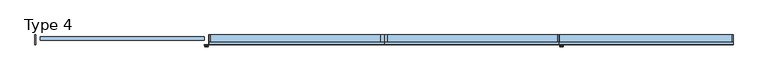
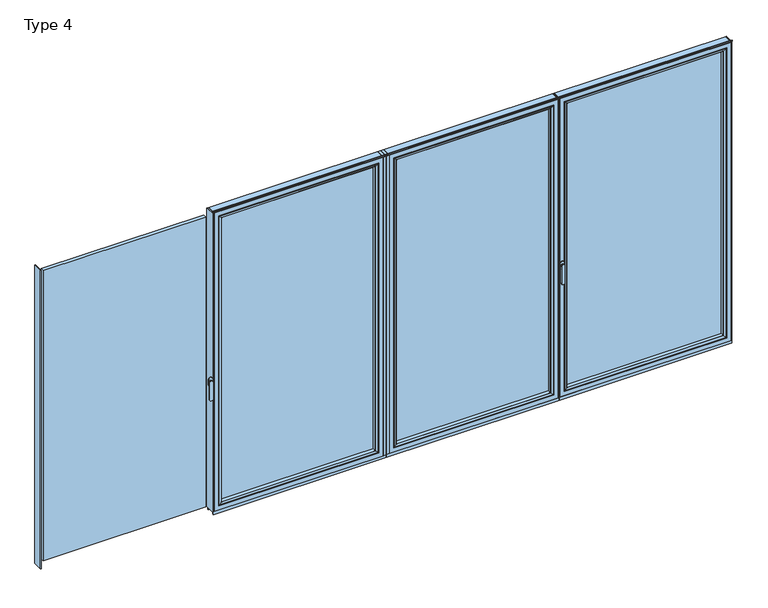
"""IFC4 building model written with IfcOpenShell, lengths in millimetres: window geometry, Type 4."""

from ifc_helpers import new_model, si_unit, point, frame, frame_2d, origin, place, context, project, spatial, polyline, circle_curve, ellipse_curve, trimmed, segment, composite_curve, outline, extrude, source, transform, mapped, element, save
from ifc_brep_helpers import plane_surface, cylinder_surface, extruded_surface, advanced_brep


def type_4_c590a3ca(model_context):
    return source(origin(), model_context, "Body", "SolidModel", [
        extrude(outline(polyline([(0.0, 0.0), (0.0, -70.0), (-22.5, -70.0), (-22.5, 0.0), (0.0, 0.0)])), frame((0.0, 0.0, 37.5), z_axis=(0.0, 0.0, 1.0), x_axis=(1.0, 0.0, 0.0)), (0.0, 0.0, 1.0), 2299.5),
        extrude(outline(polyline([(-1259.4, 0.0), (-1253.4, 0.0), (-1253.4, -70.0), (-1259.4, -70.0), (-1259.4, 0.0)])), frame((0.0, 0.0, 37.5), z_axis=(0.0, 0.0, 1.0), x_axis=(1.0, 0.0, 0.0)), (0.0, 0.0, 1.0), 2299.5),
        extrude(outline(polyline([(-54.5, -13.999939), (-54.5, -37.9928974), (-1221.4, -37.9928974), (-1221.4, -13.999939), (-54.5, -13.999939)])), frame((0.0, 0.0, 69.5), z_axis=(0.0, 0.0, 1.0), x_axis=(1.0, 0.0, 0.0)), (0.0, 0.0, 1.0), 2235.5),
        advanced_brep(
        [(-1199.4004272, -64.5552044, 2283.0004272), (-1199.4004272, -64.5552044, 91.4995728), (-1199.4004272, -37.9928974, 91.4995728), (-1199.4004272, -37.9928974, 2283.0004272), (-1221.4, -37.9928974, 2305.0), (-54.5, -37.9928974, 2305.0), (-54.5, -37.9928974, 69.5), (-1221.4, -37.9928974, 69.5), (-76.4995728, -37.9928974, 2283.0004272), (-76.4995728, -37.9928974, 91.4995728), (-76.4995728, -64.5552044, 91.4995728), (-1200.1099707, -65.8045072, 2283.7099707), (-1200.1099707, -65.8045072, 90.7900293), (-75.7900293, -65.8045072, 90.7900293), (-1215.400061, -70.0, 2299.000061), (-1215.400061, -70.0, 75.499939), (-60.499939, -70.0, 75.499939), (-54.5, -70.0, 2305.0), (-1221.4, -70.0, 2305.0), (-1221.4, -70.0, 69.5), (-54.5, -70.0, 69.5), (-60.499939, -70.0, 2299.000061), (-76.4995728, -64.5552044, 2283.0004272), (-75.7900293, -65.8045072, 2283.7099707)],
        [
            (0, 1),
            (1, 2),
            (2, 3),
            (3, 0),
            (4, 5),
            (5, 6),
            (6, 7),
            (7, 4),
            (8, 3),
            (2, 9),
            (9, 8),
            (1, 10),
            (10, 9),
            (11, 12),
            (12, 1, ellipse_curve(frame((-1200.8550312, -64.5552044, 90.0449688), z_axis=(-0.7071067811865475, 0.0, 0.7071067811865475), x_axis=(0.7071067811865474, 0.0, 0.7071067811865476)), 2.0571207, 1.454604)),
            (0, 11, ellipse_curve(frame((-1200.8550312, -64.5552044, 2284.4550312), z_axis=(-0.7071067811865475, 0.0, -0.7071067811865475), x_axis=(-0.7071067811865474, 0.0, 0.7071067811865476)), 2.0571207, 1.454604)),
            (12, 13),
            (13, 10, ellipse_curve(frame((-75.0449688, -64.5552044, 90.0449688), z_axis=(-0.7071067811865475, 0.0, -0.7071067811865475), x_axis=(-0.7071067811865476, 0.0, 0.7071067811865474)), 2.0571207, 1.454604)),
            (14, 15),
            (15, 12, ellipse_curve(frame((-1215.3361254, -40.2735922, 75.5638746), z_axis=(-0.7071067811865475, 0.0, 0.7071067811865475), x_axis=(0.7071067811865474, 0.0, 0.7071067811865476)), 42.0395863, 29.7264765)),
            (11, 14, ellipse_curve(frame((-1215.3361254, -40.2735922, 2298.9361254), z_axis=(-0.7071067811865475, 0.0, -0.7071067811865475), x_axis=(-0.7071067811865474, 0.0, 0.7071067811865476)), 42.0395863, 29.7264765)),
            (15, 16),
            (16, 13, ellipse_curve(frame((-60.5638746, -40.2735922, 75.5638746), z_axis=(-0.7071067811865475, 0.0, -0.7071067811865475), x_axis=(-0.7071067811865476, 0.0, 0.7071067811865474)), 42.0395863, 29.7264765)),
            (17, 18),
            (18, 19),
            (19, 20),
            (20, 17),
            (14, 21),
            (21, 16),
            (7, 19),
            (18, 4),
            (6, 20),
            (10, 22),
            (22, 8),
            (13, 23),
            (23, 22, ellipse_curve(frame((-75.0449688, -64.5552044, 2284.4550312), z_axis=(0.7071067811865475, 0.0, -0.7071067811865475), x_axis=(-0.7071067811865474, 0.0, -0.7071067811865476)), 2.0571207, 1.454604)),
            (21, 23, ellipse_curve(frame((-60.5638746, -40.2735922, 2298.9361254), z_axis=(0.7071067811865475, 0.0, -0.7071067811865475), x_axis=(-0.7071067811865474, 0.0, -0.7071067811865476)), 42.0395863, 29.7264765)),
            (5, 17),
            (22, 0),
            (23, 11),
        ],
        [
            plane_surface(frame((-1199.4004272, -37.9928974, 2283.0004272), z_axis=(1.0, 0.0, 0.0), x_axis=(0.0, 0.0, -1.0))),
            plane_surface(frame((-54.5, -37.9928974, 69.5), z_axis=(0.0, 1.0, 0.0), x_axis=(0.0, 0.0, 1.0))),
            plane_surface(frame((-1199.4004272, -37.9928974, 91.4995728), z_axis=(0.0, 0.0, 1.0), x_axis=(1.0, 0.0, 0.0))),
            cylinder_surface(frame((-1200.8550312, -64.5552044, 2283.0004272), z_axis=(0.0, 0.0, 1.0), x_axis=(-1.0, 0.0, 0.0)), 1.454604),
            cylinder_surface(frame((-1199.4004272, -64.5552044, 90.0449688), z_axis=(-1.0, 0.0, 0.0), x_axis=(0.0, 0.0, -1.0)), 1.454604),
            cylinder_surface(frame((-1215.3361254, -40.2735922, 2283.0004272), z_axis=(0.0, 0.0, 1.0), x_axis=(-1.0, 0.0, 0.0)), 29.7264765),
            cylinder_surface(frame((-1199.4004272, -40.2735922, 75.5638746), z_axis=(-1.0, 0.0, 0.0), x_axis=(0.0, 0.0, -1.0)), 29.7264765),
            plane_surface(frame((-60.499939, -70.0, 75.499939), z_axis=(0.0, -1.0, 0.0), x_axis=(0.0, 0.0, 1.0))),
            plane_surface(frame((-1221.4, -70.0, 2305.0), z_axis=(-1.0, 0.0, 0.0), x_axis=(0.0, 0.0, -1.0))),
            plane_surface(frame((-1221.4, -70.0, 69.5), z_axis=(0.0, 0.0, -1.0), x_axis=(1.0, 0.0, 0.0))),
            plane_surface(frame((-76.4995728, -37.9928974, 91.4995728), z_axis=(-1.0, 0.0, 0.0), x_axis=(0.0, 0.0, 1.0))),
            cylinder_surface(frame((-75.0449688, -64.5552044, 91.4995728), z_axis=(0.0, 0.0, -1.0), x_axis=(1.0, 0.0, 0.0)), 1.454604),
            cylinder_surface(frame((-60.5638746, -40.2735922, 91.4995728), z_axis=(0.0, 0.0, -1.0), x_axis=(1.0, 0.0, 0.0)), 29.7264765),
            plane_surface(frame((-54.5, -70.0, 69.5), z_axis=(1.0, 0.0, 0.0), x_axis=(0.0, 0.0, 1.0))),
            plane_surface(frame((-76.4995728, -37.9928974, 2283.0004272), z_axis=(0.0, 0.0, -1.0), x_axis=(-1.0, 0.0, 0.0))),
            cylinder_surface(frame((-76.4995728, -64.5552044, 2284.4550312), z_axis=(1.0, 0.0, 0.0), x_axis=(0.0, 0.0, 1.0)), 1.454604),
            cylinder_surface(frame((-76.4995728, -40.2735922, 2298.9361254), z_axis=(1.0, 0.0, 0.0), x_axis=(0.0, 0.0, 1.0)), 29.7264765),
            plane_surface(frame((-54.5, -70.0, 2305.0), z_axis=(0.0, 0.0, 1.0), x_axis=(-1.0, 0.0, 0.0))),
        ],
        [
            (0, [[1, 2, 3, 4]]),
            (1, [[5, 6, 7, 8], [9, -3, 10, 11]]),
            (2, [[12, 13, -10, -2]]),
            (3, [[14, 15, -1, 16]]),
            (4, [[17, 18, -12, -15]]),
            (5, [[19, 20, -14, 21]]),
            (6, [[22, 23, -17, -20]]),
            (7, [[24, 25, 26, 27], [28, 29, -22, -19]]),
            (8, [[-8, 30, -25, 31]]),
            (9, [[-7, 32, -26, -30]]),
            (10, [[33, 34, -11, -13]]),
            (11, [[35, 36, -33, -18]]),
            (12, [[-29, 37, -35, -23]]),
            (13, [[-6, 38, -27, -32]]),
            (14, [[39, -4, -9, -34]]),
            (15, [[40, -16, -39, -36]]),
            (16, [[-28, -21, -40, -37]]),
            (17, [[-5, -31, -24, -38]]),
        ],
    ),
        advanced_brep(
        [(-22.5, -70.0, 2337.0), (-22.5, -70.0, 37.5), (-22.5, 0.0, 37.5), (-22.5, 0.0, 2337.0), (-1253.4, -70.0, 37.5), (-1253.4, 0.0, 37.5), (-1253.4, 0.0, 2337.0), (-1203.9008099, 0.0, 86.9991901), (-71.9991901, 0.0, 86.9991901), (-71.9991901, 0.0, 2287.5008099), (-1203.9008099, 0.0, 2287.5008099), (-1253.4, -70.0, 2337.0), (-54.5, -70.0, 69.5), (-1221.4, -70.0, 69.5), (-1221.4, -70.0, 2305.0), (-54.5, -70.0, 2305.0), (-54.5, -13.999939, 2305.0), (-54.5, -13.999939, 69.5), (-1221.4, -13.999939, 69.5), (-1221.4, -13.999939, 2305.0), (-76.4995728, -13.999939, 91.4995728), (-1199.4004272, -13.999939, 91.4995728), (-1199.4004272, -13.999939, 2283.0004272), (-76.4995728, -13.999939, 2283.0004272), (-76.4995728, -4.5004435, 2283.0004272), (-76.4995728, -4.5004435, 91.4995728), (-1199.4004272, -4.5004435, 91.4995728), (-1199.4004272, -4.5004435, 2283.0004272)],
        [
            (0, 1),
            (1, 2),
            (2, 3),
            (3, 0),
            (1, 4),
            (4, 5),
            (5, 2),
            (5, 6),
            (6, 3),
            (7, 8),
            (8, 9),
            (9, 10),
            (10, 7),
            (4, 11),
            (11, 6),
            (0, 11),
            (12, 13),
            (13, 14),
            (14, 15),
            (15, 12),
            (16, 17),
            (17, 12),
            (15, 16),
            (17, 18),
            (18, 13),
            (18, 19),
            (19, 14),
            (16, 19),
            (20, 21),
            (21, 22),
            (22, 23),
            (23, 20),
            (24, 25),
            (25, 20),
            (23, 24),
            (25, 26),
            (26, 21),
            (26, 27),
            (27, 22),
            (7, 26, ellipse_curve(frame((-1203.9008099, -4.5004435, 86.9991901), z_axis=(0.7071067811865475, 0.0, -0.7071067811865475), x_axis=(0.7071067811865476, 0.0, 0.7071067811865474)), 6.3645023, 4.5003827)),
            (25, 8, ellipse_curve(frame((-71.9991901, -4.5004435, 86.9991901), z_axis=(-0.7071067811865475, 0.0, -0.7071067811865475), x_axis=(0.7071067811865476, 0.0, -0.7071067811865474)), 6.3645023, 4.5003827)),
            (24, 9, ellipse_curve(frame((-71.9991901, -4.5004435, 2287.5008099), z_axis=(0.7071067811865475, 0.0, -0.7071067811865475), x_axis=(0.7071067811865474, 0.0, 0.7071067811865476)), 6.3645023, 4.5003827)),
            (10, 27, ellipse_curve(frame((-1203.9008099, -4.5004435, 2287.5008099), z_axis=(-0.7071067811865475, 0.0, -0.7071067811865475), x_axis=(0.7071067811865474, 0.0, -0.7071067811865476)), 6.3645023, 4.5003827)),
            (27, 24),
        ],
        [
            plane_surface(frame((-22.5, 0.0, 2337.0), z_axis=(1.0, 0.0, 0.0), x_axis=(0.0, 0.0, -1.0))),
            plane_surface(frame((-22.5, 0.0, 37.5), z_axis=(0.0, 0.0, -1.0), x_axis=(-1.0, 0.0, 0.0))),
            plane_surface(frame((-71.9991901, 0.0, 2287.5008099), z_axis=(0.0, 1.0, 0.0), x_axis=(0.0, 0.0, -1.0))),
            plane_surface(frame((-1253.4, 0.0, 37.5), z_axis=(-1.0, 0.0, 0.0), x_axis=(0.0, 0.0, 1.0))),
            plane_surface(frame((-22.5, -70.0, 2337.0), z_axis=(0.0, -1.0, 0.0), x_axis=(0.0, 0.0, -1.0))),
            plane_surface(frame((-54.5, -70.0, 2305.0), z_axis=(-1.0, 0.0, 0.0), x_axis=(0.0, 0.0, -1.0))),
            plane_surface(frame((-54.5, -70.0, 69.5), z_axis=(0.0, 0.0, 1.0), x_axis=(-1.0, 0.0, 0.0))),
            plane_surface(frame((-1221.4, -70.0, 69.5), z_axis=(1.0, 0.0, 0.0), x_axis=(0.0, 0.0, 1.0))),
            plane_surface(frame((-54.5, -13.999939, 2305.0), z_axis=(0.0, -1.0, 0.0), x_axis=(0.0, 0.0, -1.0))),
            plane_surface(frame((-76.4995728, -13.999939, 2283.0004272), z_axis=(-1.0, 0.0, 0.0), x_axis=(0.0, 0.0, -1.0))),
            plane_surface(frame((-76.4995728, -13.999939, 91.4995728), z_axis=(0.0, 0.0, 1.0), x_axis=(-1.0, 0.0, 0.0))),
            plane_surface(frame((-1199.4004272, -13.999939, 91.4995728), z_axis=(1.0, 0.0, 0.0), x_axis=(0.0, 0.0, 1.0))),
            cylinder_surface(frame((-16.5, -4.5004435, 86.9991901), z_axis=(1.0, 0.0, 0.0), x_axis=(0.0, -1.0, 0.0)), 4.5003827),
            cylinder_surface(frame((-71.9991901, -4.5004435, 2343.0), z_axis=(0.0, 0.0, 1.0), x_axis=(0.0, -1.0, 0.0)), 4.5003827),
            cylinder_surface(frame((-1203.9008099, -4.5004435, 31.5), z_axis=(0.0, 0.0, -1.0), x_axis=(0.0, -1.0, 0.0)), 4.5003827),
            plane_surface(frame((-1253.4, 0.0, 2337.0), z_axis=(0.0, 0.0, 1.0), x_axis=(1.0, 0.0, 0.0))),
            plane_surface(frame((-1221.4, -70.0, 2305.0), z_axis=(0.0, 0.0, -1.0), x_axis=(1.0, 0.0, 0.0))),
            plane_surface(frame((-1199.4004272, -13.999939, 2283.0004272), z_axis=(0.0, 0.0, -1.0), x_axis=(1.0, 0.0, 0.0))),
            cylinder_surface(frame((-1259.4, -4.5004435, 2287.5008099), z_axis=(-1.0, 0.0, 0.0), x_axis=(0.0, -1.0, 0.0)), 4.5003827),
        ],
        [
            (0, [[1, 2, 3, 4]]),
            (1, [[5, 6, 7, -2]]),
            (2, [[-7, 8, 9, -3], [10, 11, 12, 13]]),
            (3, [[14, 15, -8, -6]]),
            (4, [[-5, -1, 16, -14], [17, 18, 19, 20]]),
            (5, [[21, 22, -20, 23]]),
            (6, [[24, 25, -17, -22]]),
            (7, [[26, 27, -18, -25]]),
            (8, [[-24, -21, 28, -26], [29, 30, 31, 32]]),
            (9, [[33, 34, -32, 35]]),
            (10, [[36, 37, -29, -34]]),
            (11, [[38, 39, -30, -37]]),
            (12, [[-10, 40, -36, 41]]),
            (13, [[-11, -41, -33, 42]]),
            (14, [[-13, 43, -38, -40]]),
            (15, [[-16, -4, -9, -15]]),
            (16, [[-28, -23, -19, -27]]),
            (17, [[44, -35, -31, -39]]),
            (18, [[-12, -42, -44, -43]]),
        ],
    ),
        extrude(outline(polyline([(0.0, -7.6000076), (-1259.4, -7.6000076), (-1259.4, 0.0), (0.0, 0.0), (0.0, -7.6000076)])), frame((0.0, 0.0, 15.4995117), z_axis=(0.0, 0.0, 1.0), x_axis=(1.0, 0.0, 0.0)), (0.0, 0.0, 1.0), 22.0004883),
        extrude(outline(polyline([(0.0, -70.0), (-1259.4, -70.0), (-1259.4, -62.2757497), (0.0, -62.2757497), (0.0, -70.0)])), frame((0.0, 0.0, 15.4995117), z_axis=(0.0, 0.0, 1.0), x_axis=(1.0, 0.0, 0.0)), (0.0, 0.0, 1.0), 22.0004883),
        extrude(outline(composite_curve([segment(polyline([(-52.044326, 2339.1400778), (-52.044326, 2337.0), (-70.0, 2337.0), (-71.8735116, 2343.9547971)]), True, "CONTINUOUS"), segment(trimmed(circle_curve(frame_2d((-69.9423544, 2344.4750201)), 2.0), [point((-71.8735116, 2343.9547971))], [point((-71.8738669, 2344.9939222))], False, "CARTESIAN"), True, "CONTINUOUS"), segment(polyline([(-71.8738669, 2344.9939222), (-70.8937897, 2348.6420698), (-70.0, 2348.6420698), (-70.0, 2342.963961), (-68.6363596, 2339.1400778), (-52.044326, 2339.1400778)]), True, "CONTINUOUS")], self_intersect=False)), frame((-1259.4, 0.0, 0.0), z_axis=(1.0, 0.0, 0.0), x_axis=(0.0, 1.0, 0.0)), (0.0, 0.0, 1.0), 1259.4),
        extrude(outline(polyline([(0.0, 0.0), (22.5, 0.0), (22.5, -70.0), (0.0, -70.0), (0.0, 0.0)])), frame((0.0, 0.0, 37.5), z_axis=(0.0, 0.0, 1.0), x_axis=(1.0, 0.0, 0.0)), (0.0, 0.0, 1.0), 2299.5),
        extrude(outline(polyline([(1259.4, 0.0), (1259.4, -70.0), (1253.4, -70.0), (1253.4, 0.0), (1259.4, 0.0)])), frame((0.0, 0.0, 37.5), z_axis=(0.0, 0.0, 1.0), x_axis=(1.0, 0.0, 0.0)), (0.0, 0.0, 1.0), 2299.5),
        extrude(outline(polyline([(54.5, -13.999939), (1221.4, -13.999939), (1221.4, -37.9928974), (54.5, -37.9928974), (54.5, -13.999939)])), frame((0.0, 0.0, 69.5), z_axis=(0.0, 0.0, 1.0), x_axis=(1.0, 0.0, 0.0)), (0.0, 0.0, 1.0), 2235.5),
        advanced_brep(
        [(1199.4004272, -64.5552044, 2283.0004272), (1199.4004272, -37.9928974, 2283.0004272), (1199.4004272, -37.9928974, 91.4995728), (1199.4004272, -64.5552044, 91.4995728), (1221.4, -37.9928974, 2305.0), (1221.4, -37.9928974, 69.5), (54.5, -37.9928974, 69.5), (54.5, -37.9928974, 2305.0), (76.4995728, -37.9928974, 2283.0004272), (76.4995728, -37.9928974, 91.4995728), (76.4995728, -64.5552044, 91.4995728), (1200.1099707, -65.8045072, 2283.7099707), (1200.1099707, -65.8045072, 90.7900293), (75.7900293, -65.8045072, 90.7900293), (1215.400061, -70.0, 2299.000061), (1215.400061, -70.0, 75.499939), (60.499939, -70.0, 75.499939), (54.5, -70.0, 2305.0), (54.5, -70.0, 69.5), (1221.4, -70.0, 69.5), (1221.4, -70.0, 2305.0), (60.499939, -70.0, 2299.000061), (76.4995728, -64.5552044, 2283.0004272), (75.7900293, -65.8045072, 2283.7099707)],
        [
            (0, 1),
            (1, 2),
            (2, 3),
            (3, 0),
            (4, 5),
            (5, 6),
            (6, 7),
            (7, 4),
            (8, 9),
            (9, 2),
            (1, 8),
            (9, 10),
            (10, 3),
            (11, 0, ellipse_curve(frame((1200.8550312, -64.5552044, 2284.4550312), z_axis=(0.7071067811865475, 0.0, -0.7071067811865475), x_axis=(0.7071067811865474, 0.0, 0.7071067811865476)), 2.0571207, 1.454604)),
            (3, 12, ellipse_curve(frame((1200.8550312, -64.5552044, 90.0449688), z_axis=(0.7071067811865475, 0.0, 0.7071067811865475), x_axis=(-0.7071067811865474, 0.0, 0.7071067811865476)), 2.0571207, 1.454604)),
            (12, 11),
            (10, 13, ellipse_curve(frame((75.0449688, -64.5552044, 90.0449688), z_axis=(0.7071067811865475, 0.0, -0.7071067811865475), x_axis=(0.7071067811865476, 0.0, 0.7071067811865474)), 2.0571207, 1.454604)),
            (13, 12),
            (14, 11, ellipse_curve(frame((1215.3361254, -40.2735922, 2298.9361254), z_axis=(0.7071067811865475, 0.0, -0.7071067811865475), x_axis=(0.7071067811865474, 0.0, 0.7071067811865476)), 42.0395863, 29.7264765)),
            (12, 15, ellipse_curve(frame((1215.3361254, -40.2735922, 75.5638746), z_axis=(0.7071067811865475, 0.0, 0.7071067811865475), x_axis=(-0.7071067811865474, 0.0, 0.7071067811865476)), 42.0395863, 29.7264765)),
            (15, 14),
            (13, 16, ellipse_curve(frame((60.5638746, -40.2735922, 75.5638746), z_axis=(0.7071067811865475, 0.0, -0.7071067811865475), x_axis=(0.7071067811865476, 0.0, 0.7071067811865474)), 42.0395863, 29.7264765)),
            (16, 15),
            (17, 18),
            (18, 19),
            (19, 20),
            (20, 17),
            (16, 21),
            (21, 14),
            (4, 20),
            (19, 5),
            (18, 6),
            (8, 22),
            (22, 10),
            (22, 23, ellipse_curve(frame((75.0449688, -64.5552044, 2284.4550312), z_axis=(-0.7071067811865475, 0.0, -0.7071067811865475), x_axis=(0.7071067811865474, 0.0, -0.7071067811865476)), 2.0571207, 1.454604)),
            (23, 13),
            (23, 21, ellipse_curve(frame((60.5638746, -40.2735922, 2298.9361254), z_axis=(-0.7071067811865475, 0.0, -0.7071067811865475), x_axis=(0.7071067811865474, 0.0, -0.7071067811865476)), 42.0395863, 29.7264765)),
            (17, 7),
            (0, 22),
            (11, 23),
        ],
        [
            plane_surface(frame((1199.4004272, -37.9928974, 2283.0004272), z_axis=(-1.0, 0.0, 0.0), x_axis=(0.0, 0.0, -1.0))),
            plane_surface(frame((54.5, -37.9928974, 69.5), z_axis=(0.0, 1.0, 0.0), x_axis=(0.0, 0.0, 1.0))),
            plane_surface(frame((1199.4004272, -37.9928974, 91.4995728), z_axis=(0.0, 0.0, 1.0), x_axis=(-1.0, 0.0, 0.0))),
            cylinder_surface(frame((1200.8550312, -64.5552044, 2283.0004272), z_axis=(0.0, 0.0, 1.0), x_axis=(1.0, 0.0, 0.0)), 1.454604),
            cylinder_surface(frame((1199.4004272, -64.5552044, 90.0449688), z_axis=(1.0, 0.0, 0.0), x_axis=(0.0, 0.0, -1.0)), 1.454604),
            cylinder_surface(frame((1215.3361254, -40.2735922, 2283.0004272), z_axis=(0.0, 0.0, 1.0), x_axis=(1.0, 0.0, 0.0)), 29.7264765),
            cylinder_surface(frame((1199.4004272, -40.2735922, 75.5638746), z_axis=(1.0, 0.0, 0.0), x_axis=(0.0, 0.0, -1.0)), 29.7264765),
            plane_surface(frame((60.499939, -70.0, 75.499939), z_axis=(0.0, -1.0, 0.0), x_axis=(0.0, 0.0, 1.0))),
            plane_surface(frame((1221.4, -70.0, 2305.0), z_axis=(1.0, 0.0, 0.0), x_axis=(0.0, 0.0, -1.0))),
            plane_surface(frame((1221.4, -70.0, 69.5), z_axis=(0.0, 0.0, -1.0), x_axis=(-1.0, 0.0, 0.0))),
            plane_surface(frame((76.4995728, -37.9928974, 91.4995728), z_axis=(1.0, 0.0, 0.0), x_axis=(0.0, 0.0, 1.0))),
            cylinder_surface(frame((75.0449688, -64.5552044, 91.4995728), z_axis=(0.0, 0.0, -1.0), x_axis=(-1.0, 0.0, 0.0)), 1.454604),
            cylinder_surface(frame((60.5638746, -40.2735922, 91.4995728), z_axis=(0.0, 0.0, -1.0), x_axis=(-1.0, 0.0, 0.0)), 29.7264765),
            plane_surface(frame((54.5, -70.0, 69.5), z_axis=(-1.0, 0.0, 0.0), x_axis=(0.0, 0.0, 1.0))),
            plane_surface(frame((76.4995728, -37.9928974, 2283.0004272), z_axis=(0.0, 0.0, -1.0), x_axis=(1.0, 0.0, 0.0))),
            cylinder_surface(frame((76.4995728, -64.5552044, 2284.4550312), z_axis=(-1.0, 0.0, 0.0), x_axis=(0.0, 0.0, 1.0)), 1.454604),
            cylinder_surface(frame((76.4995728, -40.2735922, 2298.9361254), z_axis=(-1.0, 0.0, 0.0), x_axis=(0.0, 0.0, 1.0)), 29.7264765),
            plane_surface(frame((54.5, -70.0, 2305.0), z_axis=(0.0, 0.0, 1.0), x_axis=(1.0, 0.0, 0.0))),
        ],
        [
            (0, [[1, 2, 3, 4]]),
            (1, [[5, 6, 7, 8], [9, 10, -2, 11]]),
            (2, [[-3, -10, 12, 13]]),
            (3, [[14, -4, 15, 16]]),
            (4, [[-15, -13, 17, 18]]),
            (5, [[19, -16, 20, 21]]),
            (6, [[-20, -18, 22, 23]]),
            (7, [[24, 25, 26, 27], [-21, -23, 28, 29]]),
            (8, [[30, -26, 31, -5]]),
            (9, [[-31, -25, 32, -6]]),
            (10, [[-12, -9, 33, 34]]),
            (11, [[-17, -34, 35, 36]]),
            (12, [[-22, -36, 37, -28]]),
            (13, [[-32, -24, 38, -7]]),
            (14, [[-33, -11, -1, 39]]),
            (15, [[-35, -39, -14, 40]]),
            (16, [[-37, -40, -19, -29]]),
            (17, [[-38, -27, -30, -8]]),
        ],
    ),
        advanced_brep(
        [(22.5, -70.0, 2337.0), (22.5, 0.0, 2337.0), (22.5, 0.0, 37.5), (22.5, -70.0, 37.5), (1253.4, 0.0, 37.5), (1253.4, -70.0, 37.5), (1253.4, 0.0, 2337.0), (1203.9008099, 0.0, 86.9991901), (1203.9008099, 0.0, 2287.5008099), (71.9991901, 0.0, 2287.5008099), (71.9991901, 0.0, 86.9991901), (1253.4, -70.0, 2337.0), (54.5, -70.0, 69.5), (54.5, -70.0, 2305.0), (1221.4, -70.0, 2305.0), (1221.4, -70.0, 69.5), (54.5, -13.999939, 2305.0), (54.5, -13.999939, 69.5), (1221.4, -13.999939, 69.5), (1221.4, -13.999939, 2305.0), (76.4995728, -13.999939, 91.4995728), (76.4995728, -13.999939, 2283.0004272), (1199.4004272, -13.999939, 2283.0004272), (1199.4004272, -13.999939, 91.4995728), (76.4995728, -4.5004435, 2283.0004272), (76.4995728, -4.5004435, 91.4995728), (1199.4004272, -4.5004435, 91.4995728), (1199.4004272, -4.5004435, 2283.0004272)],
        [
            (0, 1),
            (1, 2),
            (2, 3),
            (3, 0),
            (2, 4),
            (4, 5),
            (5, 3),
            (1, 6),
            (6, 4),
            (7, 8),
            (8, 9),
            (9, 10),
            (10, 7),
            (6, 11),
            (11, 5),
            (11, 0),
            (12, 13),
            (13, 14),
            (14, 15),
            (15, 12),
            (16, 13),
            (12, 17),
            (17, 16),
            (15, 18),
            (18, 17),
            (14, 19),
            (19, 18),
            (19, 16),
            (20, 21),
            (21, 22),
            (22, 23),
            (23, 20),
            (24, 21),
            (20, 25),
            (25, 24),
            (23, 26),
            (26, 25),
            (22, 27),
            (27, 26),
            (10, 25, ellipse_curve(frame((71.9991901, -4.5004435, 86.9991901), z_axis=(0.7071067811865475, 0.0, -0.7071067811865475), x_axis=(-0.7071067811865476, 0.0, -0.7071067811865474)), 6.3645023, 4.5003827)),
            (26, 7, ellipse_curve(frame((1203.9008099, -4.5004435, 86.9991901), z_axis=(-0.7071067811865475, 0.0, -0.7071067811865475), x_axis=(-0.7071067811865476, 0.0, 0.7071067811865474)), 6.3645023, 4.5003827)),
            (9, 24, ellipse_curve(frame((71.9991901, -4.5004435, 2287.5008099), z_axis=(-0.7071067811865475, 0.0, -0.7071067811865475), x_axis=(-0.7071067811865474, 0.0, 0.7071067811865476)), 6.3645023, 4.5003827)),
            (27, 8, ellipse_curve(frame((1203.9008099, -4.5004435, 2287.5008099), z_axis=(0.7071067811865475, 0.0, -0.7071067811865475), x_axis=(-0.7071067811865474, 0.0, -0.7071067811865476)), 6.3645023, 4.5003827)),
            (24, 27),
        ],
        [
            plane_surface(frame((22.5, 0.0, 2337.0), z_axis=(-1.0, 0.0, 0.0), x_axis=(0.0, 0.0, -1.0))),
            plane_surface(frame((22.5, 0.0, 37.5), z_axis=(0.0, 0.0, -1.0), x_axis=(1.0, 0.0, 0.0))),
            plane_surface(frame((71.9991901, 0.0, 2287.5008099), z_axis=(0.0, 1.0, 0.0), x_axis=(0.0, 0.0, -1.0))),
            plane_surface(frame((1253.4, 0.0, 37.5), z_axis=(1.0, 0.0, 0.0), x_axis=(0.0, 0.0, 1.0))),
            plane_surface(frame((22.5, -70.0, 2337.0), z_axis=(0.0, -1.0, 0.0), x_axis=(0.0, 0.0, -1.0))),
            plane_surface(frame((54.5, -70.0, 2305.0), z_axis=(1.0, 0.0, 0.0), x_axis=(0.0, 0.0, -1.0))),
            plane_surface(frame((54.5, -70.0, 69.5), z_axis=(0.0, 0.0, 1.0), x_axis=(1.0, 0.0, 0.0))),
            plane_surface(frame((1221.4, -70.0, 69.5), z_axis=(-1.0, 0.0, 0.0), x_axis=(0.0, 0.0, 1.0))),
            plane_surface(frame((54.5, -13.999939, 2305.0), z_axis=(0.0, -1.0, 0.0), x_axis=(0.0, 0.0, -1.0))),
            plane_surface(frame((76.4995728, -13.999939, 2283.0004272), z_axis=(1.0, 0.0, 0.0), x_axis=(0.0, 0.0, -1.0))),
            plane_surface(frame((76.4995728, -13.999939, 91.4995728), z_axis=(0.0, 0.0, 1.0), x_axis=(1.0, 0.0, 0.0))),
            plane_surface(frame((1199.4004272, -13.999939, 91.4995728), z_axis=(-1.0, 0.0, 0.0), x_axis=(0.0, 0.0, 1.0))),
            cylinder_surface(frame((16.5, -4.5004435, 86.9991901), z_axis=(-1.0, 0.0, 0.0), x_axis=(0.0, -1.0, 0.0)), 4.5003827),
            cylinder_surface(frame((71.9991901, -4.5004435, 2343.0), z_axis=(0.0, 0.0, 1.0), x_axis=(0.0, -1.0, 0.0)), 4.5003827),
            cylinder_surface(frame((1203.9008099, -4.5004435, 31.5), z_axis=(0.0, 0.0, -1.0), x_axis=(0.0, -1.0, 0.0)), 4.5003827),
            plane_surface(frame((1253.4, 0.0, 2337.0), z_axis=(0.0, 0.0, 1.0), x_axis=(-1.0, 0.0, 0.0))),
            plane_surface(frame((1221.4, -70.0, 2305.0), z_axis=(0.0, 0.0, -1.0), x_axis=(-1.0, 0.0, 0.0))),
            plane_surface(frame((1199.4004272, -13.999939, 2283.0004272), z_axis=(0.0, 0.0, -1.0), x_axis=(-1.0, 0.0, 0.0))),
            cylinder_surface(frame((1259.4, -4.5004435, 2287.5008099), z_axis=(1.0, 0.0, 0.0), x_axis=(0.0, -1.0, 0.0)), 4.5003827),
        ],
        [
            (0, [[1, 2, 3, 4]]),
            (1, [[-3, 5, 6, 7]]),
            (2, [[-2, 8, 9, -5], [10, 11, 12, 13]]),
            (3, [[-6, -9, 14, 15]]),
            (4, [[-15, 16, -4, -7], [17, 18, 19, 20]]),
            (5, [[21, -17, 22, 23]]),
            (6, [[-22, -20, 24, 25]]),
            (7, [[-24, -19, 26, 27]]),
            (8, [[-27, 28, -23, -25], [29, 30, 31, 32]]),
            (9, [[33, -29, 34, 35]]),
            (10, [[-34, -32, 36, 37]]),
            (11, [[-36, -31, 38, 39]]),
            (12, [[40, -37, 41, -13]]),
            (13, [[42, -35, -40, -12]]),
            (14, [[-41, -39, 43, -10]]),
            (15, [[-14, -8, -1, -16]]),
            (16, [[-26, -18, -21, -28]]),
            (17, [[-38, -30, -33, 44]]),
            (18, [[-43, -44, -42, -11]]),
        ],
    ),
        extrude(outline(polyline([(0.0, -7.6000076), (0.0, 0.0), (1259.4, 0.0), (1259.4, -7.6000076), (0.0, -7.6000076)])), frame((0.0, 0.0, 15.4995117), z_axis=(0.0, 0.0, 1.0), x_axis=(1.0, 0.0, 0.0)), (0.0, 0.0, 1.0), 22.0004883),
        extrude(outline(polyline([(0.0, -70.0), (0.0, -62.2757497), (1259.4, -62.2757497), (1259.4, -70.0), (0.0, -70.0)])), frame((0.0, 0.0, 15.4995117), z_axis=(0.0, 0.0, 1.0), x_axis=(1.0, 0.0, 0.0)), (0.0, 0.0, 1.0), 22.0004883),
        extrude(outline(composite_curve([segment(polyline([(-52.044326, 2339.1400778), (-52.044326, 2337.0), (-70.0, 2337.0), (-71.8735116, 2343.9547971)]), True, "CONTINUOUS"), segment(trimmed(circle_curve(frame_2d((-69.9423544, 2344.4750201)), 2.0), [point((-71.8735116, 2343.9547971))], [point((-71.8738669, 2344.9939222))], False, "CARTESIAN"), True, "CONTINUOUS"), segment(polyline([(-71.8738669, 2344.9939222), (-70.8937897, 2348.6420698), (-70.0, 2348.6420698), (-70.0, 2342.963961), (-68.6363596, 2339.1400778), (-52.044326, 2339.1400778)]), True, "CONTINUOUS")], self_intersect=False)), frame((0.0, 0.0, 0.0), z_axis=(1.0, 0.0, 0.0), x_axis=(0.0, 1.0, 0.0)), (0.0, 0.0, 1.0), 1259.4),
        advanced_brep(
        [(1293.3886308, -73.5, 1050.0), (1269.4113692, -73.5, 1050.0), (1293.3886308, -76.8965533, 1050.0), (1269.4113692, -76.8965533, 1050.0), (1293.3886308, -84.5, 1050.0), (1269.4113692, -84.5, 1050.0), (1269.4113692, -84.5, 918.6867153), (1293.3886308, -84.5, 918.6867153), (1293.3886308, -76.8965533, 918.6867153), (1269.4113692, -76.8965533, 918.6867153)],
        [
            (0, 1, circle_curve(frame((1281.4, -73.5, 1050.0), z_axis=(0.0, 1.0, 0.0), x_axis=(-1.0, 0.0, 0.0)), 11.9886308)),
            (1, 0, circle_curve(frame((1281.4, -73.5, 1050.0), z_axis=(0.0, 1.0, 0.0), x_axis=(-1.0, 0.0, 0.0)), 11.9886308)),
            (0, 2),
            (2, 3, circle_curve(frame((1281.4, -76.8965533, 1050.0), z_axis=(0.0, 1.0, 0.0), x_axis=(-1.0, 0.0, 0.0)), 11.9886308)),
            (3, 1),
            (3, 2, circle_curve(frame((1281.4, -76.8965533, 1050.0), z_axis=(0.0, 1.0, 0.0), x_axis=(-1.0, 0.0, 0.0)), 11.9886308)),
            (4, 5, circle_curve(frame((1281.4, -84.5, 1050.0), z_axis=(0.0, -1.0, 0.0), x_axis=(-1.0, 0.0, 0.0)), 11.9886308)),
            (5, 6),
            (6, 7, ellipse_curve(frame((1281.4, -84.5, 918.6867153), z_axis=(0.0, -1.0, 0.0), x_axis=(1.0, 0.0, 0.0)), 11.9886308, 7.9050795)),
            (7, 4),
            (2, 8),
            (8, 9, ellipse_curve(frame((1281.4, -76.8965533, 918.6867153), z_axis=(0.0, 1.0, 0.0), x_axis=(1.0, 0.0, 0.0)), 11.9886308, 7.9050795)),
            (9, 3),
            (7, 8),
            (2, 4),
            (6, 9),
            (5, 3),
        ],
        [
            plane_surface(frame((1269.4113692, -73.5, 1050.0), z_axis=(0.0, 1.0, 0.0), x_axis=(0.0, 0.0, -1.0))),
            cylinder_surface(frame((1281.4, -73.5, 1050.0), z_axis=(0.0, -1.0, 0.0), x_axis=(-1.0, 0.0, 0.0)), 11.9886308),
            plane_surface(frame((1293.3886308, -84.5, 928.3382074), z_axis=(0.0, -1.0, 0.0), x_axis=(0.0, 0.0, -1.0))),
            plane_surface(frame((1293.3886308, -76.8965533, 928.3382074), z_axis=(0.0, 1.0, 0.0), x_axis=(0.0, 0.0, 1.0))),
            plane_surface(frame((1293.3886308, -84.5, 1050.0), z_axis=(1.0, 0.0, 0.0), x_axis=(0.0, 1.0, 0.0))),
            extruded_surface(trimmed(ellipse_curve(frame((1281.4, -76.8965533, 918.6867153), z_axis=(0.0, 1.0, 0.0), x_axis=(1.0, 0.0, 0.0)), 11.9886308, 7.9050795), [point((1293.3886308, -76.8965533, 918.6867153))], [point((1269.4113692, -76.8965533, 918.6867153))], True, "CARTESIAN"), (0.0, 7.603446699999992, 0.0), 7.603446699999992),
            plane_surface(frame((1269.4113692, -84.5, 918.6867153), z_axis=(-1.0, 0.0, 0.0), x_axis=(0.0, 1.0, 0.0))),
            cylinder_surface(frame((1281.4, -76.8965533, 1050.0), z_axis=(0.0, -1.0, 0.0), x_axis=(-1.0, 0.0, 0.0)), 11.9886308),
        ],
        [
            (0, [[1, 2]]),
            (1, [[3, 4, 5, -1]]),
            (1, [[-5, 6, -3, -2]]),
            (2, [[7, 8, 9, 10]]),
            (3, [[-4, 11, 12, 13]]),
            (4, [[14, -11, 15, -10]]),
            (5, [[16, -12, -14, -9]]),
            (6, [[17, -13, -16, -8]]),
            (7, [[-15, -6, -17, -7]]),
        ],
    ),
        extrude(outline(composite_curve([segment(trimmed(circle_curve(frame_2d((1068.75, 1281.4)), 14.0), [point((1068.75, 1295.4))], [point((1068.75, 1267.4))], False, "CARTESIAN"), True, "CONTINUOUS"), segment(polyline([(1068.75, 1267.4), (1031.25, 1267.4)]), True, "CONTINUOUS"), segment(trimmed(circle_curve(frame_2d((1031.25, 1281.4)), 14.0), [point((1031.25, 1267.4))], [point((1031.25, 1295.4))], False, "CARTESIAN"), True, "CONTINUOUS"), segment(polyline([(1031.25, 1295.4), (1068.75, 1295.4)]), True, "CONTINUOUS")], self_intersect=False)), frame((0.0, -73.5, 0.0), z_axis=(0.0, 1.0, 0.0), x_axis=(0.0, 0.0, 1.0)), (0.0, 0.0, 1.0), 3.5),
        extrude(outline(polyline([(2518.8, 0.0), (2518.8, -70.0), (2512.8, -70.0), (2512.8, 0.0), (2518.8, 0.0)])), frame((0.0, 0.0, 37.5), z_axis=(0.0, 0.0, 1.0), x_axis=(1.0, 0.0, 0.0)), (0.0, 0.0, 1.0), 2299.5),
        extrude(outline(polyline([(1259.4, 0.0), (1265.4, 0.0), (1265.4, -70.0), (1259.4, -70.0), (1259.4, 0.0)])), frame((0.0, 0.0, 37.5), z_axis=(0.0, 0.0, 1.0), x_axis=(1.0, 0.0, 0.0)), (0.0, 0.0, 1.0), 2299.5),
        extrude(outline(polyline([(2480.8, -13.999939), (2480.8, -37.9928974), (1297.4, -37.9928974), (1297.4, -13.999939), (2480.8, -13.999939)])), frame((0.0, 0.0, 69.5), z_axis=(0.0, 0.0, 1.0), x_axis=(1.0, 0.0, 0.0)), (0.0, 0.0, 1.0), 2235.5),
        advanced_brep(
        [(1319.3995728, -64.5552044, 2283.0004272), (1319.3995728, -64.5552044, 91.4995728), (1319.3995728, -37.9928974, 91.4995728), (1319.3995728, -37.9928974, 2283.0004272), (1297.4, -37.9928974, 2305.0), (2480.8, -37.9928974, 2305.0), (2480.8, -37.9928974, 69.5), (1297.4, -37.9928974, 69.5), (2458.8004272, -37.9928974, 2283.0004272), (2458.8004272, -37.9928974, 91.4995728), (2458.8004272, -64.5552044, 91.4995728), (1318.6900293, -65.8045072, 2283.7099707), (1318.6900293, -65.8045072, 90.7900293), (2459.5099707, -65.8045072, 90.7900293), (1303.399939, -70.0, 2299.000061), (1303.399939, -70.0, 75.499939), (2474.800061, -70.0, 75.499939), (2480.8, -70.0, 2305.0), (1297.4, -70.0, 2305.0), (1297.4, -70.0, 69.5), (2480.8, -70.0, 69.5), (2474.800061, -70.0, 2299.000061), (2458.8004272, -64.5552044, 2283.0004272), (2459.5099707, -65.8045072, 2283.7099707)],
        [
            (0, 1),
            (1, 2),
            (2, 3),
            (3, 0),
            (4, 5),
            (5, 6),
            (6, 7),
            (7, 4),
            (8, 3),
            (2, 9),
            (9, 8),
            (1, 10),
            (10, 9),
            (11, 12),
            (12, 1, ellipse_curve(frame((1317.9449688, -64.5552044, 90.0449688), z_axis=(-0.7071067811865475, 0.0, 0.7071067811865475), x_axis=(0.7071067811865474, 0.0, 0.7071067811865476)), 2.0571207, 1.454604)),
            (0, 11, ellipse_curve(frame((1317.9449688, -64.5552044, 2284.4550312), z_axis=(-0.7071067811865475, 0.0, -0.7071067811865475), x_axis=(-0.7071067811865474, 0.0, 0.7071067811865476)), 2.0571207, 1.454604)),
            (12, 13),
            (13, 10, ellipse_curve(frame((2460.2550312, -64.5552044, 90.0449688), z_axis=(-0.7071067811865475, 0.0, -0.7071067811865475), x_axis=(-0.7071067811865476, 0.0, 0.7071067811865474)), 2.0571207, 1.454604)),
            (14, 15),
            (15, 12, ellipse_curve(frame((1303.4638746, -40.2735922, 75.5638746), z_axis=(-0.7071067811865475, 0.0, 0.7071067811865475), x_axis=(0.7071067811865474, 0.0, 0.7071067811865476)), 42.0395863, 29.7264765)),
            (11, 14, ellipse_curve(frame((1303.4638746, -40.2735922, 2298.9361254), z_axis=(-0.7071067811865475, 0.0, -0.7071067811865475), x_axis=(-0.7071067811865474, 0.0, 0.7071067811865476)), 42.0395863, 29.7264765)),
            (15, 16),
            (16, 13, ellipse_curve(frame((2474.7361254, -40.2735922, 75.5638746), z_axis=(-0.7071067811865475, 0.0, -0.7071067811865475), x_axis=(-0.7071067811865476, 0.0, 0.7071067811865474)), 42.0395863, 29.7264765)),
            (17, 18),
            (18, 19),
            (19, 20),
            (20, 17),
            (14, 21),
            (21, 16),
            (7, 19),
            (18, 4),
            (6, 20),
            (10, 22),
            (22, 8),
            (13, 23),
            (23, 22, ellipse_curve(frame((2460.2550312, -64.5552044, 2284.4550312), z_axis=(0.7071067811865475, 0.0, -0.7071067811865475), x_axis=(-0.7071067811865474, 0.0, -0.7071067811865476)), 2.0571207, 1.454604)),
            (21, 23, ellipse_curve(frame((2474.7361254, -40.2735922, 2298.9361254), z_axis=(0.7071067811865475, 0.0, -0.7071067811865475), x_axis=(-0.7071067811865474, 0.0, -0.7071067811865476)), 42.0395863, 29.7264765)),
            (5, 17),
            (22, 0),
            (23, 11),
        ],
        [
            plane_surface(frame((1319.3995728, -37.9928974, 2283.0004272), z_axis=(1.0, 0.0, 0.0), x_axis=(0.0, 0.0, -1.0))),
            plane_surface(frame((2480.8, -37.9928974, 69.5), z_axis=(0.0, 1.0, 0.0), x_axis=(0.0, 0.0, 1.0))),
            plane_surface(frame((1319.3995728, -37.9928974, 91.4995728), z_axis=(0.0, 0.0, 1.0), x_axis=(1.0, 0.0, 0.0))),
            cylinder_surface(frame((1317.9449688, -64.5552044, 2283.0004272), z_axis=(0.0, 0.0, 1.0), x_axis=(-1.0, 0.0, 0.0)), 1.454604),
            cylinder_surface(frame((1319.3995728, -64.5552044, 90.0449688), z_axis=(-1.0, 0.0, 0.0), x_axis=(0.0, 0.0, -1.0)), 1.454604),
            cylinder_surface(frame((1303.4638746, -40.2735922, 2283.0004272), z_axis=(0.0, 0.0, 1.0), x_axis=(-1.0, 0.0, 0.0)), 29.7264765),
            cylinder_surface(frame((1319.3995728, -40.2735922, 75.5638746), z_axis=(-1.0, 0.0, 0.0), x_axis=(0.0, 0.0, -1.0)), 29.7264765),
            plane_surface(frame((2474.800061, -70.0, 75.499939), z_axis=(0.0, -1.0, 0.0), x_axis=(0.0, 0.0, 1.0))),
            plane_surface(frame((1297.4, -70.0, 2305.0), z_axis=(-1.0, 0.0, 0.0), x_axis=(0.0, 0.0, -1.0))),
            plane_surface(frame((1297.4, -70.0, 69.5), z_axis=(0.0, 0.0, -1.0), x_axis=(1.0, 0.0, 0.0))),
            plane_surface(frame((2458.8004272, -37.9928974, 91.4995728), z_axis=(-1.0, 0.0, 0.0), x_axis=(0.0, 0.0, 1.0))),
            cylinder_surface(frame((2460.2550312, -64.5552044, 91.4995728), z_axis=(0.0, 0.0, -1.0), x_axis=(1.0, 0.0, 0.0)), 1.454604),
            cylinder_surface(frame((2474.7361254, -40.2735922, 91.4995728), z_axis=(0.0, 0.0, -1.0), x_axis=(1.0, 0.0, 0.0)), 29.7264765),
            plane_surface(frame((2480.8, -70.0, 69.5), z_axis=(1.0, 0.0, 0.0), x_axis=(0.0, 0.0, 1.0))),
            plane_surface(frame((2458.8004272, -37.9928974, 2283.0004272), z_axis=(0.0, 0.0, -1.0), x_axis=(-1.0, 0.0, 0.0))),
            cylinder_surface(frame((2458.8004272, -64.5552044, 2284.4550312), z_axis=(1.0, 0.0, 0.0), x_axis=(0.0, 0.0, 1.0)), 1.454604),
            cylinder_surface(frame((2458.8004272, -40.2735922, 2298.9361254), z_axis=(1.0, 0.0, 0.0), x_axis=(0.0, 0.0, 1.0)), 29.7264765),
            plane_surface(frame((2480.8, -70.0, 2305.0), z_axis=(0.0, 0.0, 1.0), x_axis=(-1.0, 0.0, 0.0))),
        ],
        [
            (0, [[1, 2, 3, 4]]),
            (1, [[5, 6, 7, 8], [9, -3, 10, 11]]),
            (2, [[12, 13, -10, -2]]),
            (3, [[14, 15, -1, 16]]),
            (4, [[17, 18, -12, -15]]),
            (5, [[19, 20, -14, 21]]),
            (6, [[22, 23, -17, -20]]),
            (7, [[24, 25, 26, 27], [28, 29, -22, -19]]),
            (8, [[-8, 30, -25, 31]]),
            (9, [[-7, 32, -26, -30]]),
            (10, [[33, 34, -11, -13]]),
            (11, [[35, 36, -33, -18]]),
            (12, [[-29, 37, -35, -23]]),
            (13, [[-6, 38, -27, -32]]),
            (14, [[39, -4, -9, -34]]),
            (15, [[40, -16, -39, -36]]),
            (16, [[-28, -21, -40, -37]]),
            (17, [[-5, -31, -24, -38]]),
        ],
    ),
        advanced_brep(
        [(2512.8, -70.0, 2337.0), (2512.8, -70.0, 37.5), (2512.8, 0.0, 37.5), (2512.8, 0.0, 2337.0), (1265.4, -70.0, 37.5), (1265.4, 0.0, 37.5), (1265.4, 0.0, 2337.0), (1314.8991901, 0.0, 86.9991901), (2463.3008099, 0.0, 86.9991901), (2463.3008099, 0.0, 2287.5008099), (1314.8991901, 0.0, 2287.5008099), (1265.4, -70.0, 2337.0), (2480.8, -70.0, 69.5), (1297.4, -70.0, 69.5), (1297.4, -70.0, 2305.0), (2480.8, -70.0, 2305.0), (2480.8, -13.999939, 2305.0), (2480.8, -13.999939, 69.5), (1297.4, -13.999939, 69.5), (1297.4, -13.999939, 2305.0), (2458.8004272, -13.999939, 91.4995728), (1319.3995728, -13.999939, 91.4995728), (1319.3995728, -13.999939, 2283.0004272), (2458.8004272, -13.999939, 2283.0004272), (2458.8004272, -4.5004435, 2283.0004272), (2458.8004272, -4.5004435, 91.4995728), (1319.3995728, -4.5004435, 91.4995728), (1319.3995728, -4.5004435, 2283.0004272)],
        [
            (0, 1),
            (1, 2),
            (2, 3),
            (3, 0),
            (1, 4),
            (4, 5),
            (5, 2),
            (5, 6),
            (6, 3),
            (7, 8),
            (8, 9),
            (9, 10),
            (10, 7),
            (4, 11),
            (11, 6),
            (0, 11),
            (12, 13),
            (13, 14),
            (14, 15),
            (15, 12),
            (16, 17),
            (17, 12),
            (15, 16),
            (17, 18),
            (18, 13),
            (18, 19),
            (19, 14),
            (16, 19),
            (20, 21),
            (21, 22),
            (22, 23),
            (23, 20),
            (24, 25),
            (25, 20),
            (23, 24),
            (25, 26),
            (26, 21),
            (26, 27),
            (27, 22),
            (7, 26, ellipse_curve(frame((1314.8991901, -4.5004435, 86.9991901), z_axis=(0.7071067811865475, 0.0, -0.7071067811865475), x_axis=(0.7071067811865476, 0.0, 0.7071067811865474)), 6.3645023, 4.5003827)),
            (25, 8, ellipse_curve(frame((2463.3008099, -4.5004435, 86.9991901), z_axis=(-0.7071067811865475, 0.0, -0.7071067811865475), x_axis=(0.7071067811865476, 0.0, -0.7071067811865474)), 6.3645023, 4.5003827)),
            (24, 9, ellipse_curve(frame((2463.3008099, -4.5004435, 2287.5008099), z_axis=(0.7071067811865475, 0.0, -0.7071067811865475), x_axis=(0.7071067811865474, 0.0, 0.7071067811865476)), 6.3645023, 4.5003827)),
            (10, 27, ellipse_curve(frame((1314.8991901, -4.5004435, 2287.5008099), z_axis=(-0.7071067811865475, 0.0, -0.7071067811865475), x_axis=(0.7071067811865474, 0.0, -0.7071067811865476)), 6.3645023, 4.5003827)),
            (27, 24),
        ],
        [
            plane_surface(frame((2512.8, 0.0, 2337.0), z_axis=(1.0, 0.0, 0.0), x_axis=(0.0, 0.0, -1.0))),
            plane_surface(frame((2512.8, 0.0, 37.5), z_axis=(0.0, 0.0, -1.0), x_axis=(-1.0, 0.0, 0.0))),
            plane_surface(frame((2463.3008099, 0.0, 2287.5008099), z_axis=(0.0, 1.0, 0.0), x_axis=(0.0, 0.0, -1.0))),
            plane_surface(frame((1265.4, 0.0, 37.5), z_axis=(-1.0, 0.0, 0.0), x_axis=(0.0, 0.0, 1.0))),
            plane_surface(frame((2512.8, -70.0, 2337.0), z_axis=(0.0, -1.0, 0.0), x_axis=(0.0, 0.0, -1.0))),
            plane_surface(frame((2480.8, -70.0, 2305.0), z_axis=(-1.0, 0.0, 0.0), x_axis=(0.0, 0.0, -1.0))),
            plane_surface(frame((2480.8, -70.0, 69.5), z_axis=(0.0, 0.0, 1.0), x_axis=(-1.0, 0.0, 0.0))),
            plane_surface(frame((1297.4, -70.0, 69.5), z_axis=(1.0, 0.0, 0.0), x_axis=(0.0, 0.0, 1.0))),
            plane_surface(frame((2480.8, -13.999939, 2305.0), z_axis=(0.0, -1.0, 0.0), x_axis=(0.0, 0.0, -1.0))),
            plane_surface(frame((2458.8004272, -13.999939, 2283.0004272), z_axis=(-1.0, 0.0, 0.0), x_axis=(0.0, 0.0, -1.0))),
            plane_surface(frame((2458.8004272, -13.999939, 91.4995728), z_axis=(0.0, 0.0, 1.0), x_axis=(-1.0, 0.0, 0.0))),
            plane_surface(frame((1319.3995728, -13.999939, 91.4995728), z_axis=(1.0, 0.0, 0.0), x_axis=(0.0, 0.0, 1.0))),
            cylinder_surface(frame((2518.8, -4.5004435, 86.9991901), z_axis=(1.0, 0.0, 0.0), x_axis=(0.0, -1.0, 0.0)), 4.5003827),
            cylinder_surface(frame((2463.3008099, -4.5004435, 2343.0), z_axis=(0.0, 0.0, 1.0), x_axis=(0.0, -1.0, 0.0)), 4.5003827),
            cylinder_surface(frame((1314.8991901, -4.5004435, 31.5), z_axis=(0.0, 0.0, -1.0), x_axis=(0.0, -1.0, 0.0)), 4.5003827),
            plane_surface(frame((1265.4, 0.0, 2337.0), z_axis=(0.0, 0.0, 1.0), x_axis=(1.0, 0.0, 0.0))),
            plane_surface(frame((1297.4, -70.0, 2305.0), z_axis=(0.0, 0.0, -1.0), x_axis=(1.0, 0.0, 0.0))),
            plane_surface(frame((1319.3995728, -13.999939, 2283.0004272), z_axis=(0.0, 0.0, -1.0), x_axis=(1.0, 0.0, 0.0))),
            cylinder_surface(frame((1259.4, -4.5004435, 2287.5008099), z_axis=(-1.0, 0.0, 0.0), x_axis=(0.0, -1.0, 0.0)), 4.5003827),
        ],
        [
            (0, [[1, 2, 3, 4]]),
            (1, [[5, 6, 7, -2]]),
            (2, [[-7, 8, 9, -3], [10, 11, 12, 13]]),
            (3, [[14, 15, -8, -6]]),
            (4, [[-5, -1, 16, -14], [17, 18, 19, 20]]),
            (5, [[21, 22, -20, 23]]),
            (6, [[24, 25, -17, -22]]),
            (7, [[26, 27, -18, -25]]),
            (8, [[-24, -21, 28, -26], [29, 30, 31, 32]]),
            (9, [[33, 34, -32, 35]]),
            (10, [[36, 37, -29, -34]]),
            (11, [[38, 39, -30, -37]]),
            (12, [[-10, 40, -36, 41]]),
            (13, [[-11, -41, -33, 42]]),
            (14, [[-13, 43, -38, -40]]),
            (15, [[-16, -4, -9, -15]]),
            (16, [[-28, -23, -19, -27]]),
            (17, [[44, -35, -31, -39]]),
            (18, [[-12, -42, -44, -43]]),
        ],
    ),
        extrude(outline(polyline([(2518.8, -7.6000076), (1259.4, -7.6000076), (1259.4, 0.0), (2518.8, 0.0), (2518.8, -7.6000076)])), frame((0.0, 0.0, 15.4995117), z_axis=(0.0, 0.0, 1.0), x_axis=(1.0, 0.0, 0.0)), (0.0, 0.0, 1.0), 22.0004883),
        extrude(outline(polyline([(2518.8, -70.0), (1259.4, -70.0), (1259.4, -62.2757497), (2518.8, -62.2757497), (2518.8, -70.0)])), frame((0.0, 0.0, 15.4995117), z_axis=(0.0, 0.0, 1.0), x_axis=(1.0, 0.0, 0.0)), (0.0, 0.0, 1.0), 22.0004883),
        extrude(outline(composite_curve([segment(polyline([(-52.044326, 2339.1400778), (-52.044326, 2337.0), (-70.0, 2337.0), (-71.8735116, 2343.9547971)]), True, "CONTINUOUS"), segment(trimmed(circle_curve(frame_2d((-69.9423544, 2344.4750201)), 2.0), [point((-71.8735116, 2343.9547971))], [point((-71.8738669, 2344.9939222))], False, "CARTESIAN"), True, "CONTINUOUS"), segment(polyline([(-71.8738669, 2344.9939222), (-70.8937897, 2348.6420698), (-70.0, 2348.6420698), (-70.0, 2342.963961), (-68.6363596, 2339.1400778), (-52.044326, 2339.1400778)]), True, "CONTINUOUS")], self_intersect=False)), frame((1259.4, 0.0, 0.0), z_axis=(1.0, 0.0, 0.0), x_axis=(0.0, 1.0, 0.0)), (0.0, 0.0, 1.0), 1259.4),
        advanced_brep(
        [(-1293.3886308, -73.5, 1050.0), (-1269.4113692, -73.5, 1050.0), (-1269.4113692, -76.8965533, 1050.0), (-1293.3886308, -76.8965533, 1050.0), (-1293.3886308, -84.5, 1050.0), (-1293.3886308, -84.5, 918.6867153), (-1269.4113692, -84.5, 918.6867153), (-1269.4113692, -84.5, 1050.0), (-1269.4113692, -76.8965533, 918.6867153), (-1293.3886308, -76.8965533, 918.6867153)],
        [
            (0, 1, circle_curve(frame((-1281.4, -73.5, 1050.0), z_axis=(0.0, 1.0, 0.0), x_axis=(1.0, 0.0, 0.0)), 11.9886308)),
            (1, 0, circle_curve(frame((-1281.4, -73.5, 1050.0), z_axis=(0.0, 1.0, 0.0), x_axis=(1.0, 0.0, 0.0)), 11.9886308)),
            (1, 2),
            (2, 3, circle_curve(frame((-1281.4, -76.8965533, 1050.0), z_axis=(0.0, 1.0, 0.0), x_axis=(1.0, 0.0, 0.0)), 11.9886308)),
            (3, 0),
            (3, 2, circle_curve(frame((-1281.4, -76.8965533, 1050.0), z_axis=(0.0, 1.0, 0.0), x_axis=(1.0, 0.0, 0.0)), 11.9886308)),
            (4, 5),
            (5, 6, ellipse_curve(frame((-1281.4, -84.5, 918.6867153), z_axis=(0.0, -1.0, 0.0), x_axis=(-1.0, 0.0, 0.0)), 11.9886308, 7.9050795)),
            (6, 7),
            (7, 4, circle_curve(frame((-1281.4, -84.5, 1050.0), z_axis=(0.0, -1.0, 0.0), x_axis=(1.0, 0.0, 0.0)), 11.9886308)),
            (2, 8),
            (8, 9, ellipse_curve(frame((-1281.4, -76.8965533, 918.6867153), z_axis=(0.0, 1.0, 0.0), x_axis=(-1.0, 0.0, 0.0)), 11.9886308, 7.9050795)),
            (9, 3),
            (4, 3),
            (9, 5),
            (8, 6),
            (2, 7),
        ],
        [
            plane_surface(frame((-1269.4113692, -73.5, 1050.0), z_axis=(0.0, 1.0, 0.0), x_axis=(0.0, 0.0, -1.0))),
            cylinder_surface(frame((-1281.4, -73.5, 1050.0), z_axis=(0.0, -1.0, 0.0), x_axis=(1.0, 0.0, 0.0)), 11.9886308),
            plane_surface(frame((-1293.3886308, -84.5, 928.3382074), z_axis=(0.0, -1.0, 0.0), x_axis=(0.0, 0.0, -1.0))),
            plane_surface(frame((-1293.3886308, -76.8965533, 928.3382074), z_axis=(0.0, 1.0, 0.0), x_axis=(0.0, 0.0, 1.0))),
            plane_surface(frame((-1293.3886308, -84.5, 1050.0), z_axis=(-1.0, 0.0, 0.0), x_axis=(0.0, 1.0, 0.0))),
            extruded_surface(trimmed(ellipse_curve(frame((-1281.4, -69.2931066, 918.6867153), z_axis=(0.0, -1.0, 0.0), x_axis=(-1.0, 0.0, 0.0)), 11.9886308, 7.9050795), [point((-1293.3886308, -69.2931066, 918.6867153))], [point((-1269.4113692, -69.2931066, 918.6867153))], True, "CARTESIAN"), (0.0, -7.603446699999992, 0.0), 7.603446699999992),
            plane_surface(frame((-1269.4113692, -84.5, 918.6867153), z_axis=(1.0, 0.0, 0.0), x_axis=(0.0, 1.0, 0.0))),
            cylinder_surface(frame((-1281.4, -76.8965533, 1050.0), z_axis=(0.0, -1.0, 0.0), x_axis=(1.0, 0.0, 0.0)), 11.9886308),
        ],
        [
            (0, [[1, 2]]),
            (1, [[-2, 3, 4, 5]]),
            (1, [[-1, -5, 6, -3]]),
            (2, [[7, 8, 9, 10]]),
            (3, [[11, 12, 13, -4]]),
            (4, [[-7, 14, -13, 15]]),
            (5, [[-8, -15, -12, 16]]),
            (6, [[-9, -16, -11, 17]]),
            (7, [[-10, -17, -6, -14]]),
        ],
    ),
        extrude(outline(composite_curve([segment(polyline([(1068.75, -1295.4), (1031.25, -1295.4)]), True, "CONTINUOUS"), segment(trimmed(circle_curve(frame_2d((1031.25, -1281.4)), 14.0), [point((1031.25, -1295.4))], [point((1031.25, -1267.4))], False, "CARTESIAN"), True, "CONTINUOUS"), segment(polyline([(1031.25, -1267.4), (1068.75, -1267.4)]), True, "CONTINUOUS"), segment(trimmed(circle_curve(frame_2d((1068.75, -1281.4)), 14.0), [point((1068.75, -1267.4))], [point((1068.75, -1295.4))], False, "CARTESIAN"), True, "CONTINUOUS")], self_intersect=False)), frame((0.0, -73.5, 0.0), z_axis=(0.0, 1.0, 0.0), x_axis=(0.0, 0.0, 1.0)), (0.0, 0.0, 1.0), 3.5),
        extrude(outline(polyline([(-2518.8, 0.0), (-2512.8, 0.0), (-2512.8, -70.0), (-2518.8, -70.0), (-2518.8, 0.0)])), frame((0.0, 0.0, 37.5), z_axis=(0.0, 0.0, 1.0), x_axis=(1.0, 0.0, 0.0)), (0.0, 0.0, 1.0), 2299.5),
        extrude(outline(polyline([(-1259.4, 0.0), (-1259.4, -70.0), (-1265.4, -70.0), (-1265.4, 0.0), (-1259.4, 0.0)])), frame((0.0, 0.0, 37.5), z_axis=(0.0, 0.0, 1.0), x_axis=(1.0, 0.0, 0.0)), (0.0, 0.0, 1.0), 2299.5),
        extrude(outline(polyline([(-2480.8, -13.999939), (-1297.4, -13.999939), (-1297.4, -37.9928974), (-2480.8, -37.9928974), (-2480.8, -13.999939)])), frame((0.0, 0.0, 69.5), z_axis=(0.0, 0.0, 1.0), x_axis=(1.0, 0.0, 0.0)), (0.0, 0.0, 1.0), 2235.5),
    ])


if __name__ == "__main__":
    model = new_model("IFC4")
    model_context = context("Model", 3, world=origin())
    ifc_project = project(units=[si_unit("LENGTHUNIT", "METRE", prefix="MILLI")], contexts=[model_context])
    site = spatial("IfcSite", under=ifc_project)
    building = spatial("IfcBuilding", under=site)
    placement = place(None, origin())
    type_4_shape = type_4_c590a3ca(model_context)
    element("IfcWindow", 1, ObjectType="Type 4", at=placement, inside=building, context=model_context, shape_type="MappedRepresentation", body=[
        mapped(type_4_shape, transform((0.0, 0.0, 0.0), x_axis=(1.0, 0.0, 0.0), y_axis=(0.0, 1.0, 0.0), z_axis=(0.0, 0.0, 1.0))),
    ])
    save(model, "model.ifc")
